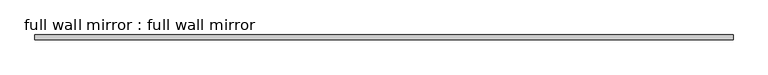
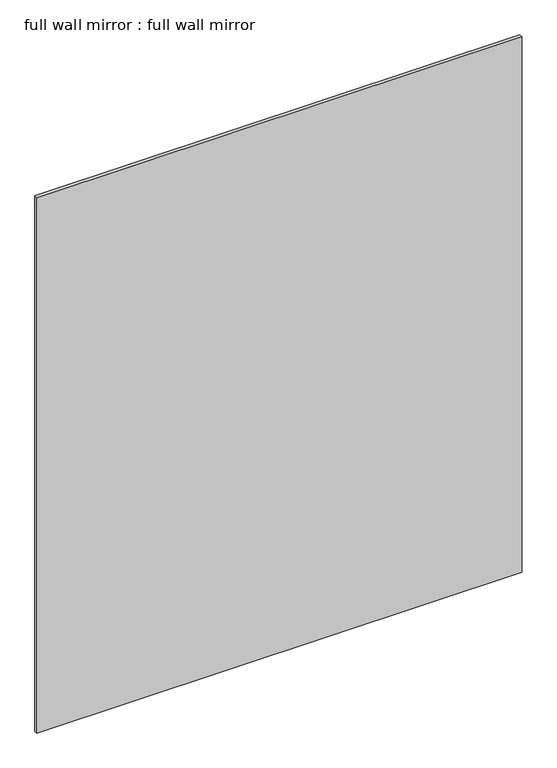
"""IFC4 building model written with IfcOpenShell, lengths in millimetres: proxy geometry, full wall mirror : full wall mirror."""

from ifc_helpers import new_model, si_unit, frame, origin, place, context, project, spatial, polyline, outline, extrude, source, transform, mapped, element, save


def full_wall_mirror_full_wall_mirror_d8c18fc8(model_context):
    return source(origin(), model_context, "Body", "SweptSolid", [
        extrude(outline(polyline([(914.4, 152.4), (-914.4, 152.4), (-914.4, 165.1), (914.4, 165.1), (914.4, 152.4)])), frame((0.0, 0.0, 152.4), z_axis=(0.0, 0.0, 1.0), x_axis=(1.0, 0.0, 0.0)), (0.0, 0.0, 1.0), 2133.6),
    ])


if __name__ == "__main__":
    model = new_model("IFC4")
    model_context = context("Model", 3, world=origin())
    ifc_project = project(units=[si_unit("LENGTHUNIT", "METRE", prefix="MILLI")], contexts=[model_context])
    site = spatial("IfcSite", under=ifc_project)
    building = spatial("IfcBuilding", under=site)
    placement = place(None, origin())
    full_wall_mirror_full_wall_mirror_shape = full_wall_mirror_full_wall_mirror_d8c18fc8(model_context)
    element("IfcBuildingElementProxy", 1, Name="full wall mirror : full wall mirror", ObjectType="full wall mirror : full wall mirror", at=placement, inside=building, context=model_context, shape_type="MappedRepresentation", body=[
        mapped(full_wall_mirror_full_wall_mirror_shape, transform((0.0, 0.0, 0.0), x_axis=(1.0, 0.0, 0.0), y_axis=(0.0, 1.0, 0.0), z_axis=(0.0, 0.0, 1.0))),
    ])
    save(model, "model.ifc")
